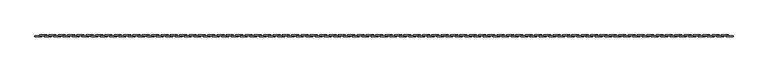
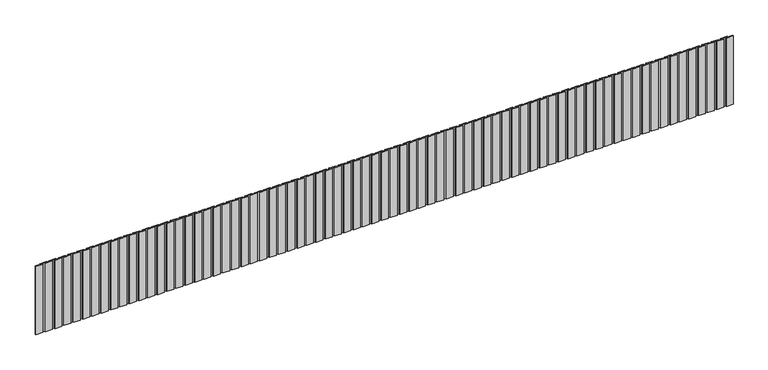
"""IFC4 building model written with IfcOpenShell, lengths in millimetres: geographic element geometry."""

from ifc_helpers import new_model, si_unit, frame, origin, place, context, project, spatial, polyline, outline, extrude, source, transform, mapped, element, save


def geographic_element_daf3058d(model_context):
    return source(origin(), model_context, "Body", "SweptSolid", [
        extrude(outline(polyline([(16150.3435672, 0.0), (16000.0, 0.0), (16000.0, 20.0), (16150.3435672, 20.0), (16150.3435672, 0.0)])), frame((0.0, 0.0, 200.0), z_axis=(0.0, 0.0, 1.0), x_axis=(1.0, 0.0, 0.0)), (0.0, 0.0, 1.0), 1550.0),
        extrude(outline(polyline([(16050.6871344, 20.0), (15900.3435672, 20.0), (15900.3435672, 40.0), (16050.6871344, 40.0), (16050.6871344, 20.0)])), frame((0.0, 0.0, 200.0), z_axis=(0.0, 0.0, 1.0), x_axis=(1.0, 0.0, 0.0)), (0.0, 0.0, 1.0), 1550.0),
        extrude(outline(polyline([(15950.3435672, 0.0), (15800.0, 0.0), (15800.0, 20.0), (15950.3435672, 20.0), (15950.3435672, 0.0)])), frame((0.0, 0.0, 200.0), z_axis=(0.0, 0.0, 1.0), x_axis=(1.0, 0.0, 0.0)), (0.0, 0.0, 1.0), 1550.0),
        extrude(outline(polyline([(15850.6871344, 20.0), (15700.3435672, 20.0), (15700.3435672, 40.0), (15850.6871344, 40.0), (15850.6871344, 20.0)])), frame((0.0, 0.0, 200.0), z_axis=(0.0, 0.0, 1.0), x_axis=(1.0, 0.0, 0.0)), (0.0, 0.0, 1.0), 1550.0),
        extrude(outline(polyline([(15750.3435672, 0.0), (15600.0, 0.0), (15600.0, 20.0), (15750.3435672, 20.0), (15750.3435672, 0.0)])), frame((0.0, 0.0, 200.0), z_axis=(0.0, 0.0, 1.0), x_axis=(1.0, 0.0, 0.0)), (0.0, 0.0, 1.0), 1550.0),
        extrude(outline(polyline([(15650.6871344, 20.0), (15500.3435672, 20.0), (15500.3435672, 40.0), (15650.6871344, 40.0), (15650.6871344, 20.0)])), frame((0.0, 0.0, 200.0), z_axis=(0.0, 0.0, 1.0), x_axis=(1.0, 0.0, 0.0)), (0.0, 0.0, 1.0), 1550.0),
        extrude(outline(polyline([(15550.3435672, 0.0), (15400.0, 0.0), (15400.0, 20.0), (15550.3435672, 20.0), (15550.3435672, 0.0)])), frame((0.0, 0.0, 200.0), z_axis=(0.0, 0.0, 1.0), x_axis=(1.0, 0.0, 0.0)), (0.0, 0.0, 1.0), 1550.0),
        extrude(outline(polyline([(15450.6871344, 20.0), (15300.3435672, 20.0), (15300.3435672, 40.0), (15450.6871344, 40.0), (15450.6871344, 20.0)])), frame((0.0, 0.0, 200.0), z_axis=(0.0, 0.0, 1.0), x_axis=(1.0, 0.0, 0.0)), (0.0, 0.0, 1.0), 1550.0),
        extrude(outline(polyline([(15350.3435672, 0.0), (15200.0, 0.0), (15200.0, 20.0), (15350.3435672, 20.0), (15350.3435672, 0.0)])), frame((0.0, 0.0, 200.0), z_axis=(0.0, 0.0, 1.0), x_axis=(1.0, 0.0, 0.0)), (0.0, 0.0, 1.0), 1550.0),
        extrude(outline(polyline([(15250.6871344, 20.0), (15100.3435672, 20.0), (15100.3435672, 40.0), (15250.6871344, 40.0), (15250.6871344, 20.0)])), frame((0.0, 0.0, 200.0), z_axis=(0.0, 0.0, 1.0), x_axis=(1.0, 0.0, 0.0)), (0.0, 0.0, 1.0), 1550.0),
        extrude(outline(polyline([(15150.3435672, 0.0), (15000.0, 0.0), (15000.0, 20.0), (15150.3435672, 20.0), (15150.3435672, 0.0)])), frame((0.0, 0.0, 200.0), z_axis=(0.0, 0.0, 1.0), x_axis=(1.0, 0.0, 0.0)), (0.0, 0.0, 1.0), 1550.0),
        extrude(outline(polyline([(15050.6871344, 20.0), (14900.3435672, 20.0), (14900.3435672, 40.0), (15050.6871344, 40.0), (15050.6871344, 20.0)])), frame((0.0, 0.0, 200.0), z_axis=(0.0, 0.0, 1.0), x_axis=(1.0, 0.0, 0.0)), (0.0, 0.0, 1.0), 1550.0),
        extrude(outline(polyline([(14950.3435672, 0.0), (14800.0, 0.0), (14800.0, 20.0), (14950.3435672, 20.0), (14950.3435672, 0.0)])), frame((0.0, 0.0, 200.0), z_axis=(0.0, 0.0, 1.0), x_axis=(1.0, 0.0, 0.0)), (0.0, 0.0, 1.0), 1550.0),
        extrude(outline(polyline([(14850.6871344, 20.0), (14700.3435672, 20.0), (14700.3435672, 40.0), (14850.6871344, 40.0), (14850.6871344, 20.0)])), frame((0.0, 0.0, 200.0), z_axis=(0.0, 0.0, 1.0), x_axis=(1.0, 0.0, 0.0)), (0.0, 0.0, 1.0), 1550.0),
        extrude(outline(polyline([(14750.3435672, 0.0), (14600.0, 0.0), (14600.0, 20.0), (14750.3435672, 20.0), (14750.3435672, 0.0)])), frame((0.0, 0.0, 200.0), z_axis=(0.0, 0.0, 1.0), x_axis=(1.0, 0.0, 0.0)), (0.0, 0.0, 1.0), 1550.0),
        extrude(outline(polyline([(14650.6871344, 20.0), (14500.3435672, 20.0), (14500.3435672, 40.0), (14650.6871344, 40.0), (14650.6871344, 20.0)])), frame((0.0, 0.0, 200.0), z_axis=(0.0, 0.0, 1.0), x_axis=(1.0, 0.0, 0.0)), (0.0, 0.0, 1.0), 1550.0),
        extrude(outline(polyline([(14550.3435672, 0.0), (14400.0, 0.0), (14400.0, 20.0), (14550.3435672, 20.0), (14550.3435672, 0.0)])), frame((0.0, 0.0, 200.0), z_axis=(0.0, 0.0, 1.0), x_axis=(1.0, 0.0, 0.0)), (0.0, 0.0, 1.0), 1550.0),
        extrude(outline(polyline([(14450.6871344, 20.0), (14300.3435672, 20.0), (14300.3435672, 40.0), (14450.6871344, 40.0), (14450.6871344, 20.0)])), frame((0.0, 0.0, 200.0), z_axis=(0.0, 0.0, 1.0), x_axis=(1.0, 0.0, 0.0)), (0.0, 0.0, 1.0), 1550.0),
        extrude(outline(polyline([(14350.3435672, 0.0), (14200.0, 0.0), (14200.0, 20.0), (14350.3435672, 20.0), (14350.3435672, 0.0)])), frame((0.0, 0.0, 200.0), z_axis=(0.0, 0.0, 1.0), x_axis=(1.0, 0.0, 0.0)), (0.0, 0.0, 1.0), 1550.0),
        extrude(outline(polyline([(14250.6871344, 20.0), (14100.3435672, 20.0), (14100.3435672, 40.0), (14250.6871344, 40.0), (14250.6871344, 20.0)])), frame((0.0, 0.0, 200.0), z_axis=(0.0, 0.0, 1.0), x_axis=(1.0, 0.0, 0.0)), (0.0, 0.0, 1.0), 1550.0),
        extrude(outline(polyline([(14150.3435672, 0.0), (14000.0, 0.0), (14000.0, 20.0), (14150.3435672, 20.0), (14150.3435672, 0.0)])), frame((0.0, 0.0, 200.0), z_axis=(0.0, 0.0, 1.0), x_axis=(1.0, 0.0, 0.0)), (0.0, 0.0, 1.0), 1550.0),
        extrude(outline(polyline([(14050.6871344, 20.0), (13900.3435672, 20.0), (13900.3435672, 40.0), (14050.6871344, 40.0), (14050.6871344, 20.0)])), frame((0.0, 0.0, 200.0), z_axis=(0.0, 0.0, 1.0), x_axis=(1.0, 0.0, 0.0)), (0.0, 0.0, 1.0), 1550.0),
        extrude(outline(polyline([(13950.3435672, 0.0), (13800.0, 0.0), (13800.0, 20.0), (13950.3435672, 20.0), (13950.3435672, 0.0)])), frame((0.0, 0.0, 200.0), z_axis=(0.0, 0.0, 1.0), x_axis=(1.0, 0.0, 0.0)), (0.0, 0.0, 1.0), 1550.0),
        extrude(outline(polyline([(13850.6871344, 20.0), (13700.3435672, 20.0), (13700.3435672, 40.0), (13850.6871344, 40.0), (13850.6871344, 20.0)])), frame((0.0, 0.0, 200.0), z_axis=(0.0, 0.0, 1.0), x_axis=(1.0, 0.0, 0.0)), (0.0, 0.0, 1.0), 1550.0),
        extrude(outline(polyline([(13750.3435672, 0.0), (13600.0, 0.0), (13600.0, 20.0), (13750.3435672, 20.0), (13750.3435672, 0.0)])), frame((0.0, 0.0, 200.0), z_axis=(0.0, 0.0, 1.0), x_axis=(1.0, 0.0, 0.0)), (0.0, 0.0, 1.0), 1550.0),
        extrude(outline(polyline([(13650.6871344, 20.0), (13500.3435672, 20.0), (13500.3435672, 40.0), (13650.6871344, 40.0), (13650.6871344, 20.0)])), frame((0.0, 0.0, 200.0), z_axis=(0.0, 0.0, 1.0), x_axis=(1.0, 0.0, 0.0)), (0.0, 0.0, 1.0), 1550.0),
        extrude(outline(polyline([(13550.3435672, 0.0), (13400.0, 0.0), (13400.0, 20.0), (13550.3435672, 20.0), (13550.3435672, 0.0)])), frame((0.0, 0.0, 200.0), z_axis=(0.0, 0.0, 1.0), x_axis=(1.0, 0.0, 0.0)), (0.0, 0.0, 1.0), 1550.0),
        extrude(outline(polyline([(13450.6871344, 20.0), (13300.3435672, 20.0), (13300.3435672, 40.0), (13450.6871344, 40.0), (13450.6871344, 20.0)])), frame((0.0, 0.0, 200.0), z_axis=(0.0, 0.0, 1.0), x_axis=(1.0, 0.0, 0.0)), (0.0, 0.0, 1.0), 1550.0),
        extrude(outline(polyline([(13350.3435672, 0.0), (13200.0, 0.0), (13200.0, 20.0), (13350.3435672, 20.0), (13350.3435672, 0.0)])), frame((0.0, 0.0, 200.0), z_axis=(0.0, 0.0, 1.0), x_axis=(1.0, 0.0, 0.0)), (0.0, 0.0, 1.0), 1550.0),
        extrude(outline(polyline([(13250.6871344, 20.0), (13100.3435672, 20.0), (13100.3435672, 40.0), (13250.6871344, 40.0), (13250.6871344, 20.0)])), frame((0.0, 0.0, 200.0), z_axis=(0.0, 0.0, 1.0), x_axis=(1.0, 0.0, 0.0)), (0.0, 0.0, 1.0), 1550.0),
        extrude(outline(polyline([(13150.3435672, 0.0), (13000.0, 0.0), (13000.0, 20.0), (13150.3435672, 20.0), (13150.3435672, 0.0)])), frame((0.0, 0.0, 200.0), z_axis=(0.0, 0.0, 1.0), x_axis=(1.0, 0.0, 0.0)), (0.0, 0.0, 1.0), 1550.0),
        extrude(outline(polyline([(13050.6871344, 20.0), (12900.3435672, 20.0), (12900.3435672, 40.0), (13050.6871344, 40.0), (13050.6871344, 20.0)])), frame((0.0, 0.0, 200.0), z_axis=(0.0, 0.0, 1.0), x_axis=(1.0, 0.0, 0.0)), (0.0, 0.0, 1.0), 1550.0),
        extrude(outline(polyline([(12950.3435672, 0.0), (12800.0, 0.0), (12800.0, 20.0), (12950.3435672, 20.0), (12950.3435672, 0.0)])), frame((0.0, 0.0, 200.0), z_axis=(0.0, 0.0, 1.0), x_axis=(1.0, 0.0, 0.0)), (0.0, 0.0, 1.0), 1550.0),
        extrude(outline(polyline([(12850.6871344, 20.0), (12700.3435672, 20.0), (12700.3435672, 40.0), (12850.6871344, 40.0), (12850.6871344, 20.0)])), frame((0.0, 0.0, 200.0), z_axis=(0.0, 0.0, 1.0), x_axis=(1.0, 0.0, 0.0)), (0.0, 0.0, 1.0), 1550.0),
        extrude(outline(polyline([(12750.3435672, 0.0), (12600.0, 0.0), (12600.0, 20.0), (12750.3435672, 20.0), (12750.3435672, 0.0)])), frame((0.0, 0.0, 200.0), z_axis=(0.0, 0.0, 1.0), x_axis=(1.0, 0.0, 0.0)), (0.0, 0.0, 1.0), 1550.0),
        extrude(outline(polyline([(12650.6871344, 20.0), (12500.3435672, 20.0), (12500.3435672, 40.0), (12650.6871344, 40.0), (12650.6871344, 20.0)])), frame((0.0, 0.0, 200.0), z_axis=(0.0, 0.0, 1.0), x_axis=(1.0, 0.0, 0.0)), (0.0, 0.0, 1.0), 1550.0),
        extrude(outline(polyline([(12550.3435672, 0.0), (12400.0, 0.0), (12400.0, 20.0), (12550.3435672, 20.0), (12550.3435672, 0.0)])), frame((0.0, 0.0, 200.0), z_axis=(0.0, 0.0, 1.0), x_axis=(1.0, 0.0, 0.0)), (0.0, 0.0, 1.0), 1550.0),
        extrude(outline(polyline([(12450.6871344, 20.0), (12300.3435672, 20.0), (12300.3435672, 40.0), (12450.6871344, 40.0), (12450.6871344, 20.0)])), frame((0.0, 0.0, 200.0), z_axis=(0.0, 0.0, 1.0), x_axis=(1.0, 0.0, 0.0)), (0.0, 0.0, 1.0), 1550.0),
        extrude(outline(polyline([(12350.3435672, 0.0), (12200.0, 0.0), (12200.0, 20.0), (12350.3435672, 20.0), (12350.3435672, 0.0)])), frame((0.0, 0.0, 200.0), z_axis=(0.0, 0.0, 1.0), x_axis=(1.0, 0.0, 0.0)), (0.0, 0.0, 1.0), 1550.0),
        extrude(outline(polyline([(12250.6871344, 20.0), (12100.3435672, 20.0), (12100.3435672, 40.0), (12250.6871344, 40.0), (12250.6871344, 20.0)])), frame((0.0, 0.0, 200.0), z_axis=(0.0, 0.0, 1.0), x_axis=(1.0, 0.0, 0.0)), (0.0, 0.0, 1.0), 1550.0),
        extrude(outline(polyline([(12150.3435672, 0.0), (12000.0, 0.0), (12000.0, 20.0), (12150.3435672, 20.0), (12150.3435672, 0.0)])), frame((0.0, 0.0, 200.0), z_axis=(0.0, 0.0, 1.0), x_axis=(1.0, 0.0, 0.0)), (0.0, 0.0, 1.0), 1550.0),
        extrude(outline(polyline([(12050.6871344, 20.0), (11900.3435672, 20.0), (11900.3435672, 40.0), (12050.6871344, 40.0), (12050.6871344, 20.0)])), frame((0.0, 0.0, 200.0), z_axis=(0.0, 0.0, 1.0), x_axis=(1.0, 0.0, 0.0)), (0.0, 0.0, 1.0), 1550.0),
        extrude(outline(polyline([(11950.3435672, 0.0), (11800.0, 0.0), (11800.0, 20.0), (11950.3435672, 20.0), (11950.3435672, 0.0)])), frame((0.0, 0.0, 200.0), z_axis=(0.0, 0.0, 1.0), x_axis=(1.0, 0.0, 0.0)), (0.0, 0.0, 1.0), 1550.0),
        extrude(outline(polyline([(11850.6871344, 20.0), (11700.3435672, 20.0), (11700.3435672, 40.0), (11850.6871344, 40.0), (11850.6871344, 20.0)])), frame((0.0, 0.0, 200.0), z_axis=(0.0, 0.0, 1.0), x_axis=(1.0, 0.0, 0.0)), (0.0, 0.0, 1.0), 1550.0),
        extrude(outline(polyline([(11750.3435672, 0.0), (11600.0, 0.0), (11600.0, 20.0), (11750.3435672, 20.0), (11750.3435672, 0.0)])), frame((0.0, 0.0, 200.0), z_axis=(0.0, 0.0, 1.0), x_axis=(1.0, 0.0, 0.0)), (0.0, 0.0, 1.0), 1550.0),
        extrude(outline(polyline([(11650.6871344, 20.0), (11500.3435672, 20.0), (11500.3435672, 40.0), (11650.6871344, 40.0), (11650.6871344, 20.0)])), frame((0.0, 0.0, 200.0), z_axis=(0.0, 0.0, 1.0), x_axis=(1.0, 0.0, 0.0)), (0.0, 0.0, 1.0), 1550.0),
        extrude(outline(polyline([(11550.3435672, 0.0), (11400.0, 0.0), (11400.0, 20.0), (11550.3435672, 20.0), (11550.3435672, 0.0)])), frame((0.0, 0.0, 200.0), z_axis=(0.0, 0.0, 1.0), x_axis=(1.0, 0.0, 0.0)), (0.0, 0.0, 1.0), 1550.0),
        extrude(outline(polyline([(11450.6871344, 20.0), (11300.3435672, 20.0), (11300.3435672, 40.0), (11450.6871344, 40.0), (11450.6871344, 20.0)])), frame((0.0, 0.0, 200.0), z_axis=(0.0, 0.0, 1.0), x_axis=(1.0, 0.0, 0.0)), (0.0, 0.0, 1.0), 1550.0),
        extrude(outline(polyline([(11350.3435672, 0.0), (11200.0, 0.0), (11200.0, 20.0), (11350.3435672, 20.0), (11350.3435672, 0.0)])), frame((0.0, 0.0, 200.0), z_axis=(0.0, 0.0, 1.0), x_axis=(1.0, 0.0, 0.0)), (0.0, 0.0, 1.0), 1550.0),
        extrude(outline(polyline([(11250.6871344, 20.0), (11100.3435672, 20.0), (11100.3435672, 40.0), (11250.6871344, 40.0), (11250.6871344, 20.0)])), frame((0.0, 0.0, 200.0), z_axis=(0.0, 0.0, 1.0), x_axis=(1.0, 0.0, 0.0)), (0.0, 0.0, 1.0), 1550.0),
        extrude(outline(polyline([(11150.3435672, 0.0), (11000.0, 0.0), (11000.0, 20.0), (11150.3435672, 20.0), (11150.3435672, 0.0)])), frame((0.0, 0.0, 200.0), z_axis=(0.0, 0.0, 1.0), x_axis=(1.0, 0.0, 0.0)), (0.0, 0.0, 1.0), 1550.0),
        extrude(outline(polyline([(11050.6871344, 20.0), (10900.3435672, 20.0), (10900.3435672, 40.0), (11050.6871344, 40.0), (11050.6871344, 20.0)])), frame((0.0, 0.0, 200.0), z_axis=(0.0, 0.0, 1.0), x_axis=(1.0, 0.0, 0.0)), (0.0, 0.0, 1.0), 1550.0),
        extrude(outline(polyline([(10950.3435672, 0.0), (10800.0, 0.0), (10800.0, 20.0), (10950.3435672, 20.0), (10950.3435672, 0.0)])), frame((0.0, 0.0, 200.0), z_axis=(0.0, 0.0, 1.0), x_axis=(1.0, 0.0, 0.0)), (0.0, 0.0, 1.0), 1550.0),
        extrude(outline(polyline([(10850.6871344, 20.0), (10700.3435672, 20.0), (10700.3435672, 40.0), (10850.6871344, 40.0), (10850.6871344, 20.0)])), frame((0.0, 0.0, 200.0), z_axis=(0.0, 0.0, 1.0), x_axis=(1.0, 0.0, 0.0)), (0.0, 0.0, 1.0), 1550.0),
        extrude(outline(polyline([(10750.3435672, 0.0), (10600.0, 0.0), (10600.0, 20.0), (10750.3435672, 20.0), (10750.3435672, 0.0)])), frame((0.0, 0.0, 200.0), z_axis=(0.0, 0.0, 1.0), x_axis=(1.0, 0.0, 0.0)), (0.0, 0.0, 1.0), 1550.0),
        extrude(outline(polyline([(10650.6871344, 20.0), (10500.3435672, 20.0), (10500.3435672, 40.0), (10650.6871344, 40.0), (10650.6871344, 20.0)])), frame((0.0, 0.0, 200.0), z_axis=(0.0, 0.0, 1.0), x_axis=(1.0, 0.0, 0.0)), (0.0, 0.0, 1.0), 1550.0),
        extrude(outline(polyline([(10550.3435672, 0.0), (10400.0, 0.0), (10400.0, 20.0), (10550.3435672, 20.0), (10550.3435672, 0.0)])), frame((0.0, 0.0, 200.0), z_axis=(0.0, 0.0, 1.0), x_axis=(1.0, 0.0, 0.0)), (0.0, 0.0, 1.0), 1550.0),
        extrude(outline(polyline([(10450.6871344, 20.0), (10300.3435672, 20.0), (10300.3435672, 40.0), (10450.6871344, 40.0), (10450.6871344, 20.0)])), frame((0.0, 0.0, 200.0), z_axis=(0.0, 0.0, 1.0), x_axis=(1.0, 0.0, 0.0)), (0.0, 0.0, 1.0), 1550.0),
        extrude(outline(polyline([(10350.3435672, 0.0), (10200.0, 0.0), (10200.0, 20.0), (10350.3435672, 20.0), (10350.3435672, 0.0)])), frame((0.0, 0.0, 200.0), z_axis=(0.0, 0.0, 1.0), x_axis=(1.0, 0.0, 0.0)), (0.0, 0.0, 1.0), 1550.0),
        extrude(outline(polyline([(10250.6871344, 20.0), (10100.3435672, 20.0), (10100.3435672, 40.0), (10250.6871344, 40.0), (10250.6871344, 20.0)])), frame((0.0, 0.0, 200.0), z_axis=(0.0, 0.0, 1.0), x_axis=(1.0, 0.0, 0.0)), (0.0, 0.0, 1.0), 1550.0),
        extrude(outline(polyline([(10150.3435672, 0.0), (10000.0, 0.0), (10000.0, 20.0), (10150.3435672, 20.0), (10150.3435672, 0.0)])), frame((0.0, 0.0, 200.0), z_axis=(0.0, 0.0, 1.0), x_axis=(1.0, 0.0, 0.0)), (0.0, 0.0, 1.0), 1550.0),
        extrude(outline(polyline([(10050.6871344, 20.0), (9900.3435672, 20.0), (9900.3435672, 40.0), (10050.6871344, 40.0), (10050.6871344, 20.0)])), frame((0.0, 0.0, 200.0), z_axis=(0.0, 0.0, 1.0), x_axis=(1.0, 0.0, 0.0)), (0.0, 0.0, 1.0), 1550.0),
        extrude(outline(polyline([(9950.3435672, 0.0), (9800.0, 0.0), (9800.0, 20.0), (9950.3435672, 20.0), (9950.3435672, 0.0)])), frame((0.0, 0.0, 200.0), z_axis=(0.0, 0.0, 1.0), x_axis=(1.0, 0.0, 0.0)), (0.0, 0.0, 1.0), 1550.0),
        extrude(outline(polyline([(9850.6871344, 20.0), (9700.3435672, 20.0), (9700.3435672, 40.0), (9850.6871344, 40.0), (9850.6871344, 20.0)])), frame((0.0, 0.0, 200.0), z_axis=(0.0, 0.0, 1.0), x_axis=(1.0, 0.0, 0.0)), (0.0, 0.0, 1.0), 1550.0),
        extrude(outline(polyline([(9750.3435672, 0.0), (9600.0, 0.0), (9600.0, 20.0), (9750.3435672, 20.0), (9750.3435672, 0.0)])), frame((0.0, 0.0, 200.0), z_axis=(0.0, 0.0, 1.0), x_axis=(1.0, 0.0, 0.0)), (0.0, 0.0, 1.0), 1550.0),
        extrude(outline(polyline([(9650.6871344, 20.0), (9500.3435672, 20.0), (9500.3435672, 40.0), (9650.6871344, 40.0), (9650.6871344, 20.0)])), frame((0.0, 0.0, 200.0), z_axis=(0.0, 0.0, 1.0), x_axis=(1.0, 0.0, 0.0)), (0.0, 0.0, 1.0), 1550.0),
        extrude(outline(polyline([(9550.3435672, 0.0), (9400.0, 0.0), (9400.0, 20.0), (9550.3435672, 20.0), (9550.3435672, 0.0)])), frame((0.0, 0.0, 200.0), z_axis=(0.0, 0.0, 1.0), x_axis=(1.0, 0.0, 0.0)), (0.0, 0.0, 1.0), 1550.0),
        extrude(outline(polyline([(9450.6871344, 20.0), (9300.3435672, 20.0), (9300.3435672, 40.0), (9450.6871344, 40.0), (9450.6871344, 20.0)])), frame((0.0, 0.0, 200.0), z_axis=(0.0, 0.0, 1.0), x_axis=(1.0, 0.0, 0.0)), (0.0, 0.0, 1.0), 1550.0),
        extrude(outline(polyline([(9350.3435672, 0.0), (9200.0, 0.0), (9200.0, 20.0), (9350.3435672, 20.0), (9350.3435672, 0.0)])), frame((0.0, 0.0, 200.0), z_axis=(0.0, 0.0, 1.0), x_axis=(1.0, 0.0, 0.0)), (0.0, 0.0, 1.0), 1550.0),
        extrude(outline(polyline([(9250.6871344, 20.0), (9100.3435672, 20.0), (9100.3435672, 40.0), (9250.6871344, 40.0), (9250.6871344, 20.0)])), frame((0.0, 0.0, 200.0), z_axis=(0.0, 0.0, 1.0), x_axis=(1.0, 0.0, 0.0)), (0.0, 0.0, 1.0), 1550.0),
        extrude(outline(polyline([(9150.3435672, 0.0), (9000.0, 0.0), (9000.0, 20.0), (9150.3435672, 20.0), (9150.3435672, 0.0)])), frame((0.0, 0.0, 200.0), z_axis=(0.0, 0.0, 1.0), x_axis=(1.0, 0.0, 0.0)), (0.0, 0.0, 1.0), 1550.0),
        extrude(outline(polyline([(9050.6871344, 20.0), (8900.3435672, 20.0), (8900.3435672, 40.0), (9050.6871344, 40.0), (9050.6871344, 20.0)])), frame((0.0, 0.0, 200.0), z_axis=(0.0, 0.0, 1.0), x_axis=(1.0, 0.0, 0.0)), (0.0, 0.0, 1.0), 1550.0),
        extrude(outline(polyline([(8950.3435672, 0.0), (8800.0, 0.0), (8800.0, 20.0), (8950.3435672, 20.0), (8950.3435672, 0.0)])), frame((0.0, 0.0, 200.0), z_axis=(0.0, 0.0, 1.0), x_axis=(1.0, 0.0, 0.0)), (0.0, 0.0, 1.0), 1550.0),
        extrude(outline(polyline([(8850.6871344, 20.0), (8700.3435672, 20.0), (8700.3435672, 40.0), (8850.6871344, 40.0), (8850.6871344, 20.0)])), frame((0.0, 0.0, 200.0), z_axis=(0.0, 0.0, 1.0), x_axis=(1.0, 0.0, 0.0)), (0.0, 0.0, 1.0), 1550.0),
        extrude(outline(polyline([(8750.3435672, 0.0), (8600.0, 0.0), (8600.0, 20.0), (8750.3435672, 20.0), (8750.3435672, 0.0)])), frame((0.0, 0.0, 200.0), z_axis=(0.0, 0.0, 1.0), x_axis=(1.0, 0.0, 0.0)), (0.0, 0.0, 1.0), 1550.0),
        extrude(outline(polyline([(8650.6871344, 20.0), (8500.3435672, 20.0), (8500.3435672, 40.0), (8650.6871344, 40.0), (8650.6871344, 20.0)])), frame((0.0, 0.0, 200.0), z_axis=(0.0, 0.0, 1.0), x_axis=(1.0, 0.0, 0.0)), (0.0, 0.0, 1.0), 1550.0),
        extrude(outline(polyline([(8550.3435672, 0.0), (8400.0, 0.0), (8400.0, 20.0), (8550.3435672, 20.0), (8550.3435672, 0.0)])), frame((0.0, 0.0, 200.0), z_axis=(0.0, 0.0, 1.0), x_axis=(1.0, 0.0, 0.0)), (0.0, 0.0, 1.0), 1550.0),
        extrude(outline(polyline([(8450.6871344, 20.0), (8300.3435672, 20.0), (8300.3435672, 40.0), (8450.6871344, 40.0), (8450.6871344, 20.0)])), frame((0.0, 0.0, 200.0), z_axis=(0.0, 0.0, 1.0), x_axis=(1.0, 0.0, 0.0)), (0.0, 0.0, 1.0), 1550.0),
        extrude(outline(polyline([(8350.3435672, 0.0), (8200.0, 0.0), (8200.0, 20.0), (8350.3435672, 20.0), (8350.3435672, 0.0)])), frame((0.0, 0.0, 200.0), z_axis=(0.0, 0.0, 1.0), x_axis=(1.0, 0.0, 0.0)), (0.0, 0.0, 1.0), 1550.0),
        extrude(outline(polyline([(8250.6871344, 20.0), (8100.3435672, 20.0), (8100.3435672, 40.0), (8250.6871344, 40.0), (8250.6871344, 20.0)])), frame((0.0, 0.0, 200.0), z_axis=(0.0, 0.0, 1.0), x_axis=(1.0, 0.0, 0.0)), (0.0, 0.0, 1.0), 1550.0),
        extrude(outline(polyline([(8150.3435672, 0.0), (8000.0, 0.0), (8000.0, 20.0), (8150.3435672, 20.0), (8150.3435672, 0.0)])), frame((0.0, 0.0, 200.0), z_axis=(0.0, 0.0, 1.0), x_axis=(1.0, 0.0, 0.0)), (0.0, 0.0, 1.0), 1550.0),
        extrude(outline(polyline([(8050.6871344, 20.0), (7900.3435672, 20.0), (7900.3435672, 40.0), (8050.6871344, 40.0), (8050.6871344, 20.0)])), frame((0.0, 0.0, 200.0), z_axis=(0.0, 0.0, 1.0), x_axis=(1.0, 0.0, 0.0)), (0.0, 0.0, 1.0), 1550.0),
        extrude(outline(polyline([(7950.3435672, 0.0), (7800.0, 0.0), (7800.0, 20.0), (7950.3435672, 20.0), (7950.3435672, 0.0)])), frame((0.0, 0.0, 200.0), z_axis=(0.0, 0.0, 1.0), x_axis=(1.0, 0.0, 0.0)), (0.0, 0.0, 1.0), 1550.0),
        extrude(outline(polyline([(7850.6871344, 20.0), (7700.3435672, 20.0), (7700.3435672, 40.0), (7850.6871344, 40.0), (7850.6871344, 20.0)])), frame((0.0, 0.0, 200.0), z_axis=(0.0, 0.0, 1.0), x_axis=(1.0, 0.0, 0.0)), (0.0, 0.0, 1.0), 1550.0),
        extrude(outline(polyline([(7750.3435672, 0.0), (7600.0, 0.0), (7600.0, 20.0), (7750.3435672, 20.0), (7750.3435672, 0.0)])), frame((0.0, 0.0, 200.0), z_axis=(0.0, 0.0, 1.0), x_axis=(1.0, 0.0, 0.0)), (0.0, 0.0, 1.0), 1550.0),
        extrude(outline(polyline([(7650.6871344, 20.0), (7500.3435672, 20.0), (7500.3435672, 40.0), (7650.6871344, 40.0), (7650.6871344, 20.0)])), frame((0.0, 0.0, 200.0), z_axis=(0.0, 0.0, 1.0), x_axis=(1.0, 0.0, 0.0)), (0.0, 0.0, 1.0), 1550.0),
        extrude(outline(polyline([(7550.3435672, 0.0), (7400.0, 0.0), (7400.0, 20.0), (7550.3435672, 20.0), (7550.3435672, 0.0)])), frame((0.0, 0.0, 200.0), z_axis=(0.0, 0.0, 1.0), x_axis=(1.0, 0.0, 0.0)), (0.0, 0.0, 1.0), 1550.0),
        extrude(outline(polyline([(7450.6871344, 20.0), (7300.3435672, 20.0), (7300.3435672, 40.0), (7450.6871344, 40.0), (7450.6871344, 20.0)])), frame((0.0, 0.0, 200.0), z_axis=(0.0, 0.0, 1.0), x_axis=(1.0, 0.0, 0.0)), (0.0, 0.0, 1.0), 1550.0),
        extrude(outline(polyline([(7350.3435672, 0.0), (7200.0, 0.0), (7200.0, 20.0), (7350.3435672, 20.0), (7350.3435672, 0.0)])), frame((0.0, 0.0, 200.0), z_axis=(0.0, 0.0, 1.0), x_axis=(1.0, 0.0, 0.0)), (0.0, 0.0, 1.0), 1550.0),
        extrude(outline(polyline([(7250.6871344, 20.0), (7100.3435672, 20.0), (7100.3435672, 40.0), (7250.6871344, 40.0), (7250.6871344, 20.0)])), frame((0.0, 0.0, 200.0), z_axis=(0.0, 0.0, 1.0), x_axis=(1.0, 0.0, 0.0)), (0.0, 0.0, 1.0), 1550.0),
        extrude(outline(polyline([(7150.3435672, 0.0), (7000.0, 0.0), (7000.0, 20.0), (7150.3435672, 20.0), (7150.3435672, 0.0)])), frame((0.0, 0.0, 200.0), z_axis=(0.0, 0.0, 1.0), x_axis=(1.0, 0.0, 0.0)), (0.0, 0.0, 1.0), 1550.0),
        extrude(outline(polyline([(7050.6871344, 20.0), (6900.3435672, 20.0), (6900.3435672, 40.0), (7050.6871344, 40.0), (7050.6871344, 20.0)])), frame((0.0, 0.0, 200.0), z_axis=(0.0, 0.0, 1.0), x_axis=(1.0, 0.0, 0.0)), (0.0, 0.0, 1.0), 1550.0),
        extrude(outline(polyline([(6950.3435672, 0.0), (6800.0, 0.0), (6800.0, 20.0), (6950.3435672, 20.0), (6950.3435672, 0.0)])), frame((0.0, 0.0, 200.0), z_axis=(0.0, 0.0, 1.0), x_axis=(1.0, 0.0, 0.0)), (0.0, 0.0, 1.0), 1550.0),
        extrude(outline(polyline([(6850.6871344, 20.0), (6700.3435672, 20.0), (6700.3435672, 40.0), (6850.6871344, 40.0), (6850.6871344, 20.0)])), frame((0.0, 0.0, 200.0), z_axis=(0.0, 0.0, 1.0), x_axis=(1.0, 0.0, 0.0)), (0.0, 0.0, 1.0), 1550.0),
        extrude(outline(polyline([(6750.3435672, 0.0), (6600.0, 0.0), (6600.0, 20.0), (6750.3435672, 20.0), (6750.3435672, 0.0)])), frame((0.0, 0.0, 200.0), z_axis=(0.0, 0.0, 1.0), x_axis=(1.0, 0.0, 0.0)), (0.0, 0.0, 1.0), 1550.0),
        extrude(outline(polyline([(6650.6871344, 20.0), (6500.3435672, 20.0), (6500.3435672, 40.0), (6650.6871344, 40.0), (6650.6871344, 20.0)])), frame((0.0, 0.0, 200.0), z_axis=(0.0, 0.0, 1.0), x_axis=(1.0, 0.0, 0.0)), (0.0, 0.0, 1.0), 1550.0),
        extrude(outline(polyline([(6550.3435672, 0.0), (6400.0, 0.0), (6400.0, 20.0), (6550.3435672, 20.0), (6550.3435672, 0.0)])), frame((0.0, 0.0, 200.0), z_axis=(0.0, 0.0, 1.0), x_axis=(1.0, 0.0, 0.0)), (0.0, 0.0, 1.0), 1550.0),
        extrude(outline(polyline([(6450.6871344, 20.0), (6300.3435672, 20.0), (6300.3435672, 40.0), (6450.6871344, 40.0), (6450.6871344, 20.0)])), frame((0.0, 0.0, 200.0), z_axis=(0.0, 0.0, 1.0), x_axis=(1.0, 0.0, 0.0)), (0.0, 0.0, 1.0), 1550.0),
        extrude(outline(polyline([(6350.3435672, 0.0), (6200.0, 0.0), (6200.0, 20.0), (6350.3435672, 20.0), (6350.3435672, 0.0)])), frame((0.0, 0.0, 200.0), z_axis=(0.0, 0.0, 1.0), x_axis=(1.0, 0.0, 0.0)), (0.0, 0.0, 1.0), 1550.0),
        extrude(outline(polyline([(6250.6871344, 20.0), (6100.3435672, 20.0), (6100.3435672, 40.0), (6250.6871344, 40.0), (6250.6871344, 20.0)])), frame((0.0, 0.0, 200.0), z_axis=(0.0, 0.0, 1.0), x_axis=(1.0, 0.0, 0.0)), (0.0, 0.0, 1.0), 1550.0),
        extrude(outline(polyline([(6150.3435672, 0.0), (6000.0, 0.0), (6000.0, 20.0), (6150.3435672, 20.0), (6150.3435672, 0.0)])), frame((0.0, 0.0, 200.0), z_axis=(0.0, 0.0, 1.0), x_axis=(1.0, 0.0, 0.0)), (0.0, 0.0, 1.0), 1550.0),
        extrude(outline(polyline([(6050.6871344, 20.0), (5900.3435672, 20.0), (5900.3435672, 40.0), (6050.6871344, 40.0), (6050.6871344, 20.0)])), frame((0.0, 0.0, 200.0), z_axis=(0.0, 0.0, 1.0), x_axis=(1.0, 0.0, 0.0)), (0.0, 0.0, 1.0), 1550.0),
        extrude(outline(polyline([(5950.3435672, 0.0), (5800.0, 0.0), (5800.0, 20.0), (5950.3435672, 20.0), (5950.3435672, 0.0)])), frame((0.0, 0.0, 200.0), z_axis=(0.0, 0.0, 1.0), x_axis=(1.0, 0.0, 0.0)), (0.0, 0.0, 1.0), 1550.0),
        extrude(outline(polyline([(5850.6871344, 20.0), (5700.3435672, 20.0), (5700.3435672, 40.0), (5850.6871344, 40.0), (5850.6871344, 20.0)])), frame((0.0, 0.0, 200.0), z_axis=(0.0, 0.0, 1.0), x_axis=(1.0, 0.0, 0.0)), (0.0, 0.0, 1.0), 1550.0),
        extrude(outline(polyline([(5750.3435672, 0.0), (5600.0, 0.0), (5600.0, 20.0), (5750.3435672, 20.0), (5750.3435672, 0.0)])), frame((0.0, 0.0, 200.0), z_axis=(0.0, 0.0, 1.0), x_axis=(1.0, 0.0, 0.0)), (0.0, 0.0, 1.0), 1550.0),
        extrude(outline(polyline([(5650.6871344, 20.0), (5500.3435672, 20.0), (5500.3435672, 40.0), (5650.6871344, 40.0), (5650.6871344, 20.0)])), frame((0.0, 0.0, 200.0), z_axis=(0.0, 0.0, 1.0), x_axis=(1.0, 0.0, 0.0)), (0.0, 0.0, 1.0), 1550.0),
        extrude(outline(polyline([(5550.3435672, 0.0), (5400.0, 0.0), (5400.0, 20.0), (5550.3435672, 20.0), (5550.3435672, 0.0)])), frame((0.0, 0.0, 200.0), z_axis=(0.0, 0.0, 1.0), x_axis=(1.0, 0.0, 0.0)), (0.0, 0.0, 1.0), 1550.0),
        extrude(outline(polyline([(5450.6871344, 20.0), (5300.3435672, 20.0), (5300.3435672, 40.0), (5450.6871344, 40.0), (5450.6871344, 20.0)])), frame((0.0, 0.0, 200.0), z_axis=(0.0, 0.0, 1.0), x_axis=(1.0, 0.0, 0.0)), (0.0, 0.0, 1.0), 1550.0),
        extrude(outline(polyline([(5350.3435672, 0.0), (5200.0, 0.0), (5200.0, 20.0), (5350.3435672, 20.0), (5350.3435672, 0.0)])), frame((0.0, 0.0, 200.0), z_axis=(0.0, 0.0, 1.0), x_axis=(1.0, 0.0, 0.0)), (0.0, 0.0, 1.0), 1550.0),
        extrude(outline(polyline([(5250.6871344, 20.0), (5100.3435672, 20.0), (5100.3435672, 40.0), (5250.6871344, 40.0), (5250.6871344, 20.0)])), frame((0.0, 0.0, 200.0), z_axis=(0.0, 0.0, 1.0), x_axis=(1.0, 0.0, 0.0)), (0.0, 0.0, 1.0), 1550.0),
        extrude(outline(polyline([(5150.3435672, 0.0), (5000.0, 0.0), (5000.0, 20.0), (5150.3435672, 20.0), (5150.3435672, 0.0)])), frame((0.0, 0.0, 200.0), z_axis=(0.0, 0.0, 1.0), x_axis=(1.0, 0.0, 0.0)), (0.0, 0.0, 1.0), 1550.0),
        extrude(outline(polyline([(5050.6871344, 20.0), (4900.3435672, 20.0), (4900.3435672, 40.0), (5050.6871344, 40.0), (5050.6871344, 20.0)])), frame((0.0, 0.0, 200.0), z_axis=(0.0, 0.0, 1.0), x_axis=(1.0, 0.0, 0.0)), (0.0, 0.0, 1.0), 1550.0),
        extrude(outline(polyline([(4950.3435672, 0.0), (4800.0, 0.0), (4800.0, 20.0), (4950.3435672, 20.0), (4950.3435672, 0.0)])), frame((0.0, 0.0, 200.0), z_axis=(0.0, 0.0, 1.0), x_axis=(1.0, 0.0, 0.0)), (0.0, 0.0, 1.0), 1550.0),
        extrude(outline(polyline([(4850.6871344, 20.0), (4700.3435672, 20.0), (4700.3435672, 40.0), (4850.6871344, 40.0), (4850.6871344, 20.0)])), frame((0.0, 0.0, 200.0), z_axis=(0.0, 0.0, 1.0), x_axis=(1.0, 0.0, 0.0)), (0.0, 0.0, 1.0), 1550.0),
        extrude(outline(polyline([(4750.3435672, 0.0), (4600.0, 0.0), (4600.0, 20.0), (4750.3435672, 20.0), (4750.3435672, 0.0)])), frame((0.0, 0.0, 200.0), z_axis=(0.0, 0.0, 1.0), x_axis=(1.0, 0.0, 0.0)), (0.0, 0.0, 1.0), 1550.0),
        extrude(outline(polyline([(4650.6871344, 20.0), (4500.3435672, 20.0), (4500.3435672, 40.0), (4650.6871344, 40.0), (4650.6871344, 20.0)])), frame((0.0, 0.0, 200.0), z_axis=(0.0, 0.0, 1.0), x_axis=(1.0, 0.0, 0.0)), (0.0, 0.0, 1.0), 1550.0),
        extrude(outline(polyline([(4550.3435672, 0.0), (4400.0, 0.0), (4400.0, 20.0), (4550.3435672, 20.0), (4550.3435672, 0.0)])), frame((0.0, 0.0, 200.0), z_axis=(0.0, 0.0, 1.0), x_axis=(1.0, 0.0, 0.0)), (0.0, 0.0, 1.0), 1550.0),
        extrude(outline(polyline([(4450.6871344, 20.0), (4300.3435672, 20.0), (4300.3435672, 40.0), (4450.6871344, 40.0), (4450.6871344, 20.0)])), frame((0.0, 0.0, 200.0), z_axis=(0.0, 0.0, 1.0), x_axis=(1.0, 0.0, 0.0)), (0.0, 0.0, 1.0), 1550.0),
        extrude(outline(polyline([(4350.3435672, 0.0), (4200.0, 0.0), (4200.0, 20.0), (4350.3435672, 20.0), (4350.3435672, 0.0)])), frame((0.0, 0.0, 200.0), z_axis=(0.0, 0.0, 1.0), x_axis=(1.0, 0.0, 0.0)), (0.0, 0.0, 1.0), 1550.0),
        extrude(outline(polyline([(4250.6871344, 20.0), (4100.3435672, 20.0), (4100.3435672, 40.0), (4250.6871344, 40.0), (4250.6871344, 20.0)])), frame((0.0, 0.0, 200.0), z_axis=(0.0, 0.0, 1.0), x_axis=(1.0, 0.0, 0.0)), (0.0, 0.0, 1.0), 1550.0),
        extrude(outline(polyline([(4150.3435672, 0.0), (4000.0, 0.0), (4000.0, 20.0), (4150.3435672, 20.0), (4150.3435672, 0.0)])), frame((0.0, 0.0, 200.0), z_axis=(0.0, 0.0, 1.0), x_axis=(1.0, 0.0, 0.0)), (0.0, 0.0, 1.0), 1550.0),
        extrude(outline(polyline([(4050.6871344, 20.0), (3900.3435672, 20.0), (3900.3435672, 40.0), (4050.6871344, 40.0), (4050.6871344, 20.0)])), frame((0.0, 0.0, 200.0), z_axis=(0.0, 0.0, 1.0), x_axis=(1.0, 0.0, 0.0)), (0.0, 0.0, 1.0), 1550.0),
        extrude(outline(polyline([(3950.3435672, 0.0), (3800.0, 0.0), (3800.0, 20.0), (3950.3435672, 20.0), (3950.3435672, 0.0)])), frame((0.0, 0.0, 200.0), z_axis=(0.0, 0.0, 1.0), x_axis=(1.0, 0.0, 0.0)), (0.0, 0.0, 1.0), 1550.0),
        extrude(outline(polyline([(3850.6871344, 20.0), (3700.3435672, 20.0), (3700.3435672, 40.0), (3850.6871344, 40.0), (3850.6871344, 20.0)])), frame((0.0, 0.0, 200.0), z_axis=(0.0, 0.0, 1.0), x_axis=(1.0, 0.0, 0.0)), (0.0, 0.0, 1.0), 1550.0),
        extrude(outline(polyline([(3750.3435672, 0.0), (3600.0, 0.0), (3600.0, 20.0), (3750.3435672, 20.0), (3750.3435672, 0.0)])), frame((0.0, 0.0, 200.0), z_axis=(0.0, 0.0, 1.0), x_axis=(1.0, 0.0, 0.0)), (0.0, 0.0, 1.0), 1550.0),
        extrude(outline(polyline([(3650.6871344, 20.0), (3500.3435672, 20.0), (3500.3435672, 40.0), (3650.6871344, 40.0), (3650.6871344, 20.0)])), frame((0.0, 0.0, 200.0), z_axis=(0.0, 0.0, 1.0), x_axis=(1.0, 0.0, 0.0)), (0.0, 0.0, 1.0), 1550.0),
        extrude(outline(polyline([(3550.3435672, 0.0), (3400.0, 0.0), (3400.0, 20.0), (3550.3435672, 20.0), (3550.3435672, 0.0)])), frame((0.0, 0.0, 200.0), z_axis=(0.0, 0.0, 1.0), x_axis=(1.0, 0.0, 0.0)), (0.0, 0.0, 1.0), 1550.0),
        extrude(outline(polyline([(3450.6871344, 20.0), (3300.3435672, 20.0), (3300.3435672, 40.0), (3450.6871344, 40.0), (3450.6871344, 20.0)])), frame((0.0, 0.0, 200.0), z_axis=(0.0, 0.0, 1.0), x_axis=(1.0, 0.0, 0.0)), (0.0, 0.0, 1.0), 1550.0),
        extrude(outline(polyline([(3350.3435672, 0.0), (3200.0, 0.0), (3200.0, 20.0), (3350.3435672, 20.0), (3350.3435672, 0.0)])), frame((0.0, 0.0, 200.0), z_axis=(0.0, 0.0, 1.0), x_axis=(1.0, 0.0, 0.0)), (0.0, 0.0, 1.0), 1550.0),
        extrude(outline(polyline([(3250.6871344, 20.0), (3100.3435672, 20.0), (3100.3435672, 40.0), (3250.6871344, 40.0), (3250.6871344, 20.0)])), frame((0.0, 0.0, 200.0), z_axis=(0.0, 0.0, 1.0), x_axis=(1.0, 0.0, 0.0)), (0.0, 0.0, 1.0), 1550.0),
        extrude(outline(polyline([(3150.3435672, 0.0), (3000.0, 0.0), (3000.0, 20.0), (3150.3435672, 20.0), (3150.3435672, 0.0)])), frame((0.0, 0.0, 200.0), z_axis=(0.0, 0.0, 1.0), x_axis=(1.0, 0.0, 0.0)), (0.0, 0.0, 1.0), 1550.0),
        extrude(outline(polyline([(3050.6871344, 20.0), (2900.3435672, 20.0), (2900.3435672, 40.0), (3050.6871344, 40.0), (3050.6871344, 20.0)])), frame((0.0, 0.0, 200.0), z_axis=(0.0, 0.0, 1.0), x_axis=(1.0, 0.0, 0.0)), (0.0, 0.0, 1.0), 1550.0),
        extrude(outline(polyline([(2950.3435672, 0.0), (2800.0, 0.0), (2800.0, 20.0), (2950.3435672, 20.0), (2950.3435672, 0.0)])), frame((0.0, 0.0, 200.0), z_axis=(0.0, 0.0, 1.0), x_axis=(1.0, 0.0, 0.0)), (0.0, 0.0, 1.0), 1550.0),
        extrude(outline(polyline([(2850.6871344, 20.0), (2700.3435672, 20.0), (2700.3435672, 40.0), (2850.6871344, 40.0), (2850.6871344, 20.0)])), frame((0.0, 0.0, 200.0), z_axis=(0.0, 0.0, 1.0), x_axis=(1.0, 0.0, 0.0)), (0.0, 0.0, 1.0), 1550.0),
        extrude(outline(polyline([(2750.3435672, 0.0), (2600.0, 0.0), (2600.0, 20.0), (2750.3435672, 20.0), (2750.3435672, 0.0)])), frame((0.0, 0.0, 200.0), z_axis=(0.0, 0.0, 1.0), x_axis=(1.0, 0.0, 0.0)), (0.0, 0.0, 1.0), 1550.0),
        extrude(outline(polyline([(2650.6871344, 20.0), (2500.3435672, 20.0), (2500.3435672, 40.0), (2650.6871344, 40.0), (2650.6871344, 20.0)])), frame((0.0, 0.0, 200.0), z_axis=(0.0, 0.0, 1.0), x_axis=(1.0, 0.0, 0.0)), (0.0, 0.0, 1.0), 1550.0),
        extrude(outline(polyline([(2550.3435672, 0.0), (2400.0, 0.0), (2400.0, 20.0), (2550.3435672, 20.0), (2550.3435672, 0.0)])), frame((0.0, 0.0, 200.0), z_axis=(0.0, 0.0, 1.0), x_axis=(1.0, 0.0, 0.0)), (0.0, 0.0, 1.0), 1550.0),
        extrude(outline(polyline([(2450.6871344, 20.0), (2300.3435672, 20.0), (2300.3435672, 40.0), (2450.6871344, 40.0), (2450.6871344, 20.0)])), frame((0.0, 0.0, 200.0), z_axis=(0.0, 0.0, 1.0), x_axis=(1.0, 0.0, 0.0)), (0.0, 0.0, 1.0), 1550.0),
        extrude(outline(polyline([(2350.3435672, 0.0), (2200.0, 0.0), (2200.0, 20.0), (2350.3435672, 20.0), (2350.3435672, 0.0)])), frame((0.0, 0.0, 200.0), z_axis=(0.0, 0.0, 1.0), x_axis=(1.0, 0.0, 0.0)), (0.0, 0.0, 1.0), 1550.0),
        extrude(outline(polyline([(2250.6871344, 20.0), (2100.3435672, 20.0), (2100.3435672, 40.0), (2250.6871344, 40.0), (2250.6871344, 20.0)])), frame((0.0, 0.0, 200.0), z_axis=(0.0, 0.0, 1.0), x_axis=(1.0, 0.0, 0.0)), (0.0, 0.0, 1.0), 1550.0),
        extrude(outline(polyline([(2150.3435672, 0.0), (2000.0, 0.0), (2000.0, 20.0), (2150.3435672, 20.0), (2150.3435672, 0.0)])), frame((0.0, 0.0, 200.0), z_axis=(0.0, 0.0, 1.0), x_axis=(1.0, 0.0, 0.0)), (0.0, 0.0, 1.0), 1550.0),
        extrude(outline(polyline([(2050.6871344, 20.0), (1900.3435672, 20.0), (1900.3435672, 40.0), (2050.6871344, 40.0), (2050.6871344, 20.0)])), frame((0.0, 0.0, 200.0), z_axis=(0.0, 0.0, 1.0), x_axis=(1.0, 0.0, 0.0)), (0.0, 0.0, 1.0), 1550.0),
        extrude(outline(polyline([(1950.3435672, 0.0), (1800.0, 0.0), (1800.0, 20.0), (1950.3435672, 20.0), (1950.3435672, 0.0)])), frame((0.0, 0.0, 200.0), z_axis=(0.0, 0.0, 1.0), x_axis=(1.0, 0.0, 0.0)), (0.0, 0.0, 1.0), 1550.0),
        extrude(outline(polyline([(1850.6871344, 20.0), (1700.3435672, 20.0), (1700.3435672, 40.0), (1850.6871344, 40.0), (1850.6871344, 20.0)])), frame((0.0, 0.0, 200.0), z_axis=(0.0, 0.0, 1.0), x_axis=(1.0, 0.0, 0.0)), (0.0, 0.0, 1.0), 1550.0),
        extrude(outline(polyline([(1750.3435672, 0.0), (1600.0, 0.0), (1600.0, 20.0), (1750.3435672, 20.0), (1750.3435672, 0.0)])), frame((0.0, 0.0, 200.0), z_axis=(0.0, 0.0, 1.0), x_axis=(1.0, 0.0, 0.0)), (0.0, 0.0, 1.0), 1550.0),
        extrude(outline(polyline([(1650.6871344, 20.0), (1500.3435672, 20.0), (1500.3435672, 40.0), (1650.6871344, 40.0), (1650.6871344, 20.0)])), frame((0.0, 0.0, 200.0), z_axis=(0.0, 0.0, 1.0), x_axis=(1.0, 0.0, 0.0)), (0.0, 0.0, 1.0), 1550.0),
        extrude(outline(polyline([(1550.3435672, 0.0), (1400.0, 0.0), (1400.0, 20.0), (1550.3435672, 20.0), (1550.3435672, 0.0)])), frame((0.0, 0.0, 200.0), z_axis=(0.0, 0.0, 1.0), x_axis=(1.0, 0.0, 0.0)), (0.0, 0.0, 1.0), 1550.0),
        extrude(outline(polyline([(1450.6871344, 20.0), (1300.3435672, 20.0), (1300.3435672, 40.0), (1450.6871344, 40.0), (1450.6871344, 20.0)])), frame((0.0, 0.0, 200.0), z_axis=(0.0, 0.0, 1.0), x_axis=(1.0, 0.0, 0.0)), (0.0, 0.0, 1.0), 1550.0),
        extrude(outline(polyline([(1350.3435672, 0.0), (1200.0, 0.0), (1200.0, 20.0), (1350.3435672, 20.0), (1350.3435672, 0.0)])), frame((0.0, 0.0, 200.0), z_axis=(0.0, 0.0, 1.0), x_axis=(1.0, 0.0, 0.0)), (0.0, 0.0, 1.0), 1550.0),
    ])


if __name__ == "__main__":
    model = new_model("IFC4")
    model_context = context("Model", 3, world=origin())
    ifc_project = project(units=[si_unit("LENGTHUNIT", "METRE", prefix="MILLI")], contexts=[model_context])
    site = spatial("IfcSite", under=ifc_project)
    building = spatial("IfcBuilding", under=site)
    placement = place(None, origin())
    geographic_element_shape = geographic_element_daf3058d(model_context)
    element("IfcGeographicElement", 1, at=placement, inside=building, context=model_context, shape_type="MappedRepresentation", body=[
        mapped(geographic_element_shape, transform((0.0, 0.0, 0.0), x_axis=(1.0, 0.0, 0.0), y_axis=(0.0, 1.0, 0.0), z_axis=(0.0, 0.0, 1.0))),
    ])
    save(model, "model.ifc")
